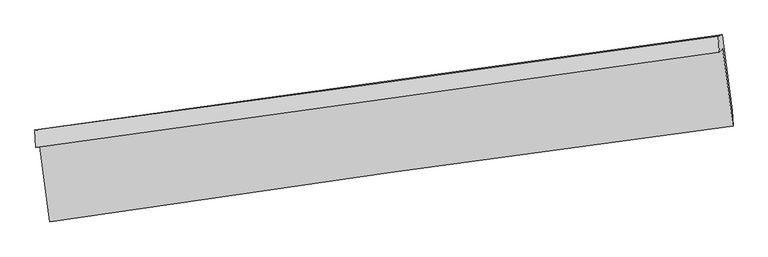
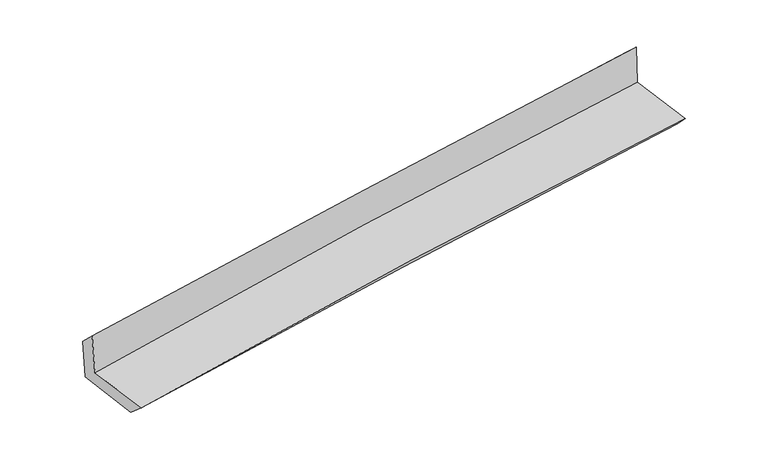
"""IFC4 building model written with IfcOpenShell, lengths in millimetres: proxy geometry."""

import ifcopenshell
import ifcopenshell.guid

model = None  # the IFC model being written
_history = None  # IfcOwnerHistory: only IFC2X3 demands one
_inside = {}  # id of a spatial element -> (the spatial element, [elements in it])
_under = {}  # id of a project, library or spatial element -> (it, [spatial elements below it])
_declared = {}  # id of a project -> (the project, [libraries it declares])
_typed = {}  # id of a type object -> (the type object, [elements of that type])
_made_of = {}  # id of a material, layer set ... -> (it, [elements and type objects made of it])


def new_model(schema):
    """Start an empty IFC model of exactly this schema.

    Asked for "IFC4X3", IfcOpenShell would pick the latest addendum, in which some entities
    have other attributes; the version numbers below select the first issue.
    IFC2X3 requires an IfcOwnerHistory on every rooted entity: one is made here for all.
    """
    global model, _history
    if schema == "IFC4X3":
        model = ifcopenshell.file(schema_version=(4, 3, 0, 0))
    else:
        model = ifcopenshell.file(schema=schema)
    _inside.clear()
    _under.clear()
    _declared.clear()
    _typed.clear()
    _made_of.clear()
    _history = None
    if model.schema == "IFC2X3":
        org = make("IfcOrganization", Name="unknown")
        user = make(
            "IfcPersonAndOrganization",
            ThePerson=make("IfcPerson", FamilyName="unknown"),
            TheOrganization=org,
        )
        app = make(
            "IfcApplication",
            ApplicationDeveloper=org,
            Version="unknown",
            ApplicationFullName="unknown",
            ApplicationIdentifier="unknown",
        )
        _history = make(
            "IfcOwnerHistory",
            OwningUser=user,
            OwningApplication=app,
            ChangeAction="ADDED",
            CreationDate=0,
        )
    return model


def make(cls, **values):
    """One entity of the class cls with the attributes given. An attribute that is None is left unset."""
    return model.create_entity(
        cls, **{name: value for name, value in values.items() if value is not None}
    )


def rooted(cls, **values):
    """An entity with a GlobalId (a new one), such as an element, a storey or a relation."""
    return make(cls, GlobalId=ifcopenshell.guid.new(), OwnerHistory=_history, **values)


def si_unit(unit_type, name, prefix=None):
    """IfcSIUnit, for example si_unit("LENGTHUNIT", "METRE", prefix="MILLI")."""
    return make("IfcSIUnit", UnitType=unit_type, Prefix=prefix, Name=name)


def assignment(units):
    """IfcUnitAssignment: the units of a project."""
    return None if units is None else make("IfcUnitAssignment", Units=units)


def point(xyz):
    """IfcCartesianPoint."""
    return None if xyz is None else make("IfcCartesianPoint", Coordinates=xyz)


def direction(xyz):
    """IfcDirection."""
    return None if xyz is None else make("IfcDirection", DirectionRatios=xyz)


def frame(location, z_axis=None, x_axis=None):
    """IfcAxis2Placement3D, a coordinate frame: its origin and axes. An axis left out is left unset."""
    return make(
        "IfcAxis2Placement3D",
        Location=point(location),
        Axis=direction(z_axis),
        RefDirection=direction(x_axis),
    )


def origin():
    """The frame at (0, 0, 0) with its axes left unset."""
    return frame((0.0, 0.0, 0.0))


def place(relative_to, where):
    """IfcLocalPlacement: puts the frame where relative to a parent placement (None: the world)."""
    return make(
        "IfcLocalPlacement", PlacementRelTo=relative_to, RelativePlacement=where
    )


def context(
    kind, dimensions, precision=None, world=None, true_north=None, identifier=None
):
    """IfcGeometricRepresentationContext, for example the 3D "Model" context."""
    return make(
        "IfcGeometricRepresentationContext",
        ContextIdentifier=identifier,
        ContextType=kind,
        CoordinateSpaceDimension=dimensions,
        Precision=precision,
        WorldCoordinateSystem=world,
        TrueNorth=true_north,
    )


def project(units=None, contexts=None):
    """IfcProject with its units and contexts."""
    return rooted(
        "IfcProject",
        Name="project",
        RepresentationContexts=contexts,
        UnitsInContext=assignment(units),
    )


def spatial(cls, under=None, at=None, **own):
    """A site, building, storey or space (cls), placed at a placement, below another one or the project."""
    s = rooted(cls, ObjectPlacement=at, **own)
    if under is not None:
        _under.setdefault(under.id(), (under, []))[1].append(s)
    return s


def shape(context_of_items, identifier, shape_type, items):
    """IfcShapeRepresentation: the items that make up one representation, for example the "Body"."""
    return make(
        "IfcShapeRepresentation",
        ContextOfItems=context_of_items,
        RepresentationIdentifier=identifier,
        RepresentationType=shape_type,
        Items=items,
    )


def source(mapping_origin, context_of_items, identifier, shape_type, items):
    """IfcRepresentationMap: a shape defined once, which mapped items show again and again."""
    return make(
        "IfcRepresentationMap",
        MappingOrigin=mapping_origin,
        MappedRepresentation=shape(context_of_items, identifier, shape_type, items),
    )


def transform(
    local_origin,
    x_axis=None,
    y_axis=None,
    z_axis=None,
    scale=None,
    scale2=None,
    scale3=None,
    uniform=True,
):
    """IfcCartesianTransformationOperator3D, or its non-uniform kind. x_axis, y_axis, z_axis: its Axis1, 2, 3."""
    if uniform:
        return make(
            "IfcCartesianTransformationOperator3D",
            Axis1=direction(x_axis),
            Axis2=direction(y_axis),
            LocalOrigin=point(local_origin),
            Scale=scale,
            Axis3=direction(z_axis),
        )
    return make(
        "IfcCartesianTransformationOperator3DnonUniform",
        Axis1=direction(x_axis),
        Axis2=direction(y_axis),
        LocalOrigin=point(local_origin),
        Scale=scale,
        Axis3=direction(z_axis),
        Scale2=scale2,
        Scale3=scale3,
    )


def mapped(mapping_source, mapping_target):
    """IfcMappedItem: shows the shape of a source again, moved by a transform."""
    return make(
        "IfcMappedItem", MappingSource=mapping_source, MappingTarget=mapping_target
    )


def made_of(thing, what):
    """Note that an element or type object is made of a material, layer set ...; save() writes the relation."""
    if what is not None:
        _made_of.setdefault(what.id(), (what, []))[1].append(thing)
    return thing


def element(
    cls,
    number,
    at=None,
    inside=None,
    cuts=None,
    type_object=None,
    material=None,
    context=None,
    identifier="Body",
    shape_type=None,
    held_by="IfcProductDefinitionShape",
    body=None,
    shapes=None,
    **own,
):
    """One element of the class cls, such as IfcWall. Its Tag is "e" and its number.

    at: its placement. inside: the storey or other place that contains it. cuts: it is an
    opening in that element (IfcRelVoidsElement). A single representation is given by context,
    identifier, shape_type and body (its items); several are given by shapes. held_by: the class
    of the entity that holds the representations. save() writes the other relations.
    """
    e = rooted(cls, Tag="e%d" % number, ObjectPlacement=at, **own)
    if body is not None:
        shapes = [shape(context, identifier, shape_type, body)]
    if shapes is not None:
        e.Representation = make(held_by, Representations=shapes)
    if inside is not None:
        _inside.setdefault(inside.id(), (inside, []))[1].append(e)
    if cuts is not None:
        rooted(
            "IfcRelVoidsElement", RelatingBuildingElement=cuts, RelatedOpeningElement=e
        )
    if type_object is not None:
        _typed.setdefault(type_object.id(), (type_object, []))[1].append(e)
    return made_of(e, material)


def aggregate(whole, parts):
    """IfcRelAggregates: a whole, such as a stair, and the parts it consists of."""
    return rooted("IfcRelAggregates", RelatingObject=whole, RelatedObjects=parts)


def save(model, path):
    """Write the relations noted so far, then the file.

    IfcRelAggregates (storeys below a building ...), IfcRelContainedInSpatialStructure (elements
    in a storey), IfcRelDefinesByType, IfcRelAssociatesMaterial and IfcRelDeclares: one each for
    every whole, place, type object, material and project.
    """
    for whole, parts in _under.values():
        aggregate(whole, parts)
    for where, things in _inside.values():
        rooted(
            "IfcRelContainedInSpatialStructure",
            RelatedElements=things,
            RelatingStructure=where,
        )
    for kind, things in _typed.values():
        rooted("IfcRelDefinesByType", RelatedObjects=things, RelatingType=kind)
    for what, things in _made_of.values():
        rooted("IfcRelAssociatesMaterial", RelatedObjects=things, RelatingMaterial=what)
    for by, libraries in _declared.values():
        rooted("IfcRelDeclares", RelatingContext=by, RelatedDefinitions=libraries)
    model.write(path)


def plane_surface(at):
    """IfcPlane: the flat surface through the origin of the frame at, square to its z axis."""
    return make("IfcPlane", Position=at)


def spline_curve(degree, points, multiplicities, knots, weights=None):
    """IfcBSplineCurveWithKnots; with weights, IfcRationalBSplineCurveWithKnots."""
    own = dict(
        Degree=degree,
        ControlPointsList=[point(p) for p in points],
        CurveForm="UNSPECIFIED",
        ClosedCurve=False,
        SelfIntersect=False,
        KnotMultiplicities=multiplicities,
        Knots=knots,
        KnotSpec="UNSPECIFIED",
    )
    if weights is None:
        return make("IfcBSplineCurveWithKnots", **own)
    return make("IfcRationalBSplineCurveWithKnots", WeightsData=weights, **own)


def spline_surface(u_degree, v_degree, points, u_multiplicities, v_multiplicities, u_knots, v_knots, weights=None):
    """IfcBSplineSurfaceWithKnots; with weights, IfcRationalBSplineSurfaceWithKnots. points: one row for each step in u."""
    own = dict(
        UDegree=u_degree,
        VDegree=v_degree,
        ControlPointsList=[[point(p) for p in row] for row in points],
        SurfaceForm="UNSPECIFIED",
        UClosed=False,
        VClosed=False,
        SelfIntersect=False,
        UMultiplicities=u_multiplicities,
        VMultiplicities=v_multiplicities,
        UKnots=u_knots,
        VKnots=v_knots,
        KnotSpec="UNSPECIFIED",
    )
    if weights is None:
        return make("IfcBSplineSurfaceWithKnots", **own)
    return make("IfcRationalBSplineSurfaceWithKnots", WeightsData=weights, **own)


def advanced_brep(points, edges, surfaces, faces):
    """IfcAdvancedBrep: a solid bounded by faces that lie on surfaces and meet in shared edges.

    An edge is (start, end): straight between two places in points (the first is 0);
    or (start, end, curve); or (start, end, curve, False) where it runs against its curve.
    A face is (place in surfaces, loops), or (place, loops, False) where it looks against
    its surface's normal. A loop lists edges by number (the first is 1), with a minus sign
    where the edge is run from its end to its start. The first loop is the outer one.
    """
    corners = [point(p) for p in points]
    vertices = [make("IfcVertexPoint", VertexGeometry=c) for c in corners]
    made = []
    for start, end, *more in edges:
        made.append(
            make(
                "IfcEdgeCurve",
                EdgeStart=vertices[start],
                EdgeEnd=vertices[end],
                EdgeGeometry=more[0] if more else make("IfcPolyline", Points=[corners[start], corners[end]]),
                SameSense=more[1] if len(more) > 1 else True,
            )
        )
    hull = []
    for where, loops, *sense in faces:
        bounds = []
        for j, loop in enumerate(loops):
            ring = [make("IfcOrientedEdge", EdgeElement=made[abs(k) - 1], Orientation=k > 0) for k in loop]
            bounds.append(
                make(
                    "IfcFaceOuterBound" if j == 0 else "IfcFaceBound",
                    Bound=make("IfcEdgeLoop", EdgeList=ring),
                    Orientation=True,
                )
            )
        hull.append(make("IfcAdvancedFace", Bounds=bounds, FaceSurface=surfaces[where], SameSense=sense[0] if sense else True))
    return make("IfcAdvancedBrep", Outer=make("IfcClosedShell", CfsFaces=hull))


def generic_models_05530c15(model_context):
    return source(origin(), model_context, "Body", "AdvancedBrep", [
        advanced_brep(
        [(-3009.0200411, -1925.641085, 1647.6879037), (-2921.2065719, -2584.3234309, 1644.7053671), (3055.7300978, -1745.9456203, 2130.3339769), (2964.5331131, -1065.5557821, 2139.4370024), (-3041.3674079, -1933.213346, 2058.0009067), (2935.942464, -1097.2846498, 2543.0440125), (-3049.4800698, -1780.3618373, 1907.8120241), (2927.6003841, -955.588593, 2413.9221108), (-3018.5955139, -1774.4804982, 1518.259629), (2958.7968279, -945.9533511, 2014.393446), (-2931.2558181, -2418.2429448, 1496.7038275), (3048.6440156, -1608.1742704, 1992.1799904)],
        [
            (0, 1),
            (1, 2, spline_curve(3, [(-2921.2065719, -2584.3234309, 1644.7053671), (-1927.846274388, -2434.601236672, 1743.438541655), (-933.077914876, -2289.874003113, 1833.274821566), (1059.234423145, -2010.415139313, 1995.150301174), (2056.77828669, -1875.683102336, 2067.190224542), (3055.7300978, -1745.9456203, 2130.3339769)], [4, 2, 4], [0.0, 9.933542370578651, 19.866680835375718])),
            (2, 3),
            (3, 0, spline_curve(3, [(2964.5331131, -1065.5557821, 2139.4370024), (1965.908980998, -1196.47821405, 2074.200218239), (968.810907968, -1333.611621916, 2000.603737535), (-1022.373600569, -1620.306217619, 1836.688051126), (-2016.459912611, -1769.867910853, 1746.368165586), (-3009.0200411, -1925.641085, 1647.6879037)], [4, 2, 4], [0.0, 9.933138464797066, 19.866680835375718])),
            (4, 0),
            (3, 5),
            (5, 4, spline_curve(3, [(2935.942464, -1097.2846498, 2543.0440125), (1938.841277323, -1239.087686998, 2476.867595018), (942.191645662, -1379.648539193, 2403.360098581), (-1050.24501512, -1658.291538646, 2241.679659324), (-2046.032007602, -1796.373585423, 2153.506120674), (-3041.3674079, -1933.213346, 2058.0009067)], [4, 2, 4], [0.0, 9.932929356642633, 19.866262610564])),
            (6, 4),
            (5, 7),
            (7, 6, spline_curve(3, [(2927.6003841, -955.588593, 2413.9221108), (1931.064269921, -1095.153727257, 2337.134231336), (934.716297889, -1233.666022252, 2256.565385341), (-1057.643868592, -1508.590522387, 2087.862330589), (-2053.65604803, -1645.002642468, 1999.727814465), (-3049.4800698, -1780.3618373, 1907.8120241)], [4, 2, 4], [0.0, 9.932550758156793, 19.865505398197577])),
            (8, 6),
            (7, 9),
            (9, 8, spline_curve(3, [(2958.7968279, -945.9533511, 2014.393446), (1962.044521687, -1084.975699242, 1939.377378431), (965.562461673, -1223.529408243, 1860.525778556), (-1026.90167449, -1499.705161834, 1695.148151582), (-2022.883728111, -1637.327168939, 1608.621812552), (-3018.5955139, -1774.4804982, 1518.259629)], [4, 2, 4], [0.0, 9.93246574225969, 19.865335362946418])),
            (10, 8),
            (9, 11),
            (11, 10, spline_curve(3, [(3048.6440156, -1608.1742704, 1992.1799904), (2050.98391669, -1740.501868457, 1917.382077003), (1053.839001916, -1874.169990818, 1838.694358732), (-939.460984326, -2144.192773365, 1673.535953864), (-1935.616014384, -2280.547542363, 1587.064951504), (-2931.2558181, -2418.2429448, 1496.7038275)], [4, 2, 4], [0.0, 9.932392258792781, 19.865188393024578])),
            (1, 10),
            (11, 2),
        ],
        [
            spline_surface(3, 3, [[(-3009.0200411, -1925.641085, 1647.6879037), (-2016.459912723, -1769.867910887, 1746.368165543), (-1022.373600726, -1620.306217685, 1836.688051139), (968.810908125, -1333.611621849, 2000.603737521), (1965.908980845, -1196.478214057, 2074.20021813), (2964.5331131, -1065.5557821, 2139.4370024)], [(-2979.748884716, -2145.201866992, 1646.693724855), (-1986.922033264, -1991.445686174, 1745.39162422), (-992.608372077, -1843.49547953, 1835.550307904), (998.952079747, -1559.212794299, 1998.785925415), (1996.19874945, -1422.87984353, 2071.86355361), (2994.932108007, -1292.352394833, 2136.402660573)], [(-2950.477728284, -2364.762648908, 1645.699545945), (-1957.384153759, -2213.023461386, 1744.415082833), (-962.843143399, -2066.684741379, 1834.41256472), (1029.093251397, -1784.813966753, 1996.968113361), (2026.488518033, -1649.281473002, 2069.526889071), (3025.331102893, -1519.149007567, 2133.368318727)], [(-2921.2065719, -2584.3234309, 1644.7053671), (-1927.846274301, -2434.601236673, 1743.438541511), (-933.077914749, -2289.874003224, 1833.274821485), (1059.234423019, -2010.415139202, 1995.150301255), (2056.778286638, -1875.683102475, 2067.19022455), (3055.7300978, -1745.9456203, 2130.3339769)]], [4, 4], [4, 2, 4], [0.0, 2.2282510073775974], [0.0, 9.933542370578651, 19.866680835375718]),
            spline_surface(3, 3, [[(-3041.3674079, -1933.213346, 2058.0009067), (-2046.032007458, -1796.373585346, 2153.506120807), (-1050.245015065, -1658.291538798, 2241.679659421), (942.191645607, -1379.648539041, 2403.360098484), (1938.841277216, -1239.087686857, 2476.867595121), (2935.942464, -1097.2846498, 2543.0440125)], [(-3030.584952308, -1930.689259001, 1921.229905686), (-2036.174642554, -1787.538360527, 2017.793469038), (-1040.954543612, -1645.629765088, 2106.682456672), (951.064733121, -1364.302899972, 2269.107978175), (1947.86384511, -1224.884529272, 2342.645136116), (2945.472680385, -1086.708360582, 2408.508342459)], [(-3019.802496692, -1928.165171999, 1784.458904714), (-2026.317277627, -1778.703135706, 1882.080817312), (-1031.66407218, -1632.967991395, 1971.685253889), (959.937820612, -1348.957260919, 2134.855857831), (1956.88641295, -1210.681371642, 2208.422677135), (2955.002896715, -1076.132071318, 2273.972672441)], [(-3009.0200411, -1925.641085, 1647.6879037), (-2016.459912723, -1769.867910887, 1746.368165543), (-1022.373600726, -1620.306217685, 1836.688051139), (968.810908125, -1333.611621849, 2000.603737521), (1965.908980845, -1196.478214057, 2074.20021813), (2964.5331131, -1065.5557821, 2139.4370024)]], [4, 4], [4, 2, 4], [0.0, 1.3351908417997853], [0.0, 9.933333253921367, 19.866262610564]),
            spline_surface(3, 3, [[(-3049.4800698, -1780.3618373, 1907.8120241), (-2053.656047887, -1645.002642426, 1999.727814325), (-1057.643868647, -1508.590522502, 2087.8623306), (934.716297944, -1233.666022136, 2256.56538533), (1931.064270024, -1095.153727244, 2337.134231309), (2927.6003841, -955.588593, 2413.9221108)], [(-3046.775849174, -1831.312340196, 1957.874984979), (-2051.114701085, -1695.459623395, 2050.987249831), (-1055.17758412, -1558.490861259, 2139.134773549), (937.208080499, -1282.326861096, 2305.49695639), (1933.65660574, -1143.131713753, 2383.712019276), (2930.381077386, -1002.820611904, 2456.96274473)], [(-3044.071628526, -1882.262843104, 2007.937945821), (-2048.573354261, -1745.916604377, 2102.246685301), (-1052.711299593, -1608.391200041, 2190.407216472), (939.699863053, -1330.987700081, 2354.428527424), (1936.248941499, -1191.109700348, 2430.289807154), (2933.161770714, -1050.052630896, 2500.00337857)], [(-3041.3674079, -1933.213346, 2058.0009067), (-2046.032007458, -1796.373585346, 2153.506120807), (-1050.245015065, -1658.291538798, 2241.679659421), (942.191645607, -1379.648539041, 2403.360098484), (1938.841277216, -1239.087686857, 2476.867595121), (2935.942464, -1097.2846498, 2543.0440125)]], [4, 4], [4, 2, 4], [0.0, 0.692128643724402], [0.0, 9.932954640040784, 19.865505398197577]),
            spline_surface(3, 3, [[(-3018.5955139, -1774.4804982, 1518.259629), (-2022.883728265, -1637.327168856, 1608.621812497), (-1026.901674365, -1499.705161946, 1695.148151541), (965.562461549, -1223.529408131, 1860.525778598), (1962.044521577, -1084.975699345, 1939.377378579), (2958.7968279, -945.9533511, 2014.393446)], [(-3028.890365848, -1776.44094457, 1648.110427365), (-2033.14116812, -1639.885660049, 1738.990479771), (-1037.14907246, -1502.666948792, 1826.052877876), (955.280407013, -1226.90827946, 1992.538980824), (1951.717771066, -1088.368375341, 2071.962996156), (2948.398013307, -949.16509843, 2147.5696676)], [(-3039.185217852, -1778.40139093, 1777.961225735), (-2043.398608032, -1642.444151232, 1869.359147051), (-1047.396470552, -1505.628735657, 1956.957604264), (944.99835248, -1230.287150808, 2124.552183103), (1941.391020535, -1091.761051248, 2204.548613732), (2937.999198693, -952.37684567, 2280.7458892)], [(-3049.4800698, -1780.3618373, 1907.8120241), (-2053.656047887, -1645.002642426, 1999.727814325), (-1057.643868647, -1508.590522502, 2087.8623306), (934.716297944, -1233.666022136, 2256.56538533), (1931.064270024, -1095.153727244, 2337.134231309), (2927.6003841, -955.588593, 2413.9221108)]], [4, 4], [4, 2, 4], [0.0, 1.298200694923699], [0.0, 9.932869620686727, 19.865335362946418]),
            spline_surface(3, 3, [[(-2931.2558181, -2418.2429448, 1496.7038275), (-1935.616014278, -2280.547542492, 1587.064951423), (-939.460984438, -2144.192773313, 1673.535953983), (1053.839002028, -1874.16999087, 1838.694358613), (2050.983916754, -1740.501868576, 1917.382077004), (3048.6440156, -1608.1742704, 1992.1799904)], [(-2960.369050033, -2203.655462575, 1503.889094672), (-1964.705252273, -2066.140751256, 1594.250571786), (-968.607881093, -1929.363569531, 1680.740019849), (1024.413488521, -1657.289796631, 1845.971498621), (2021.337451697, -1521.993145469, 1924.713844181), (3018.694953035, -1387.433963937, 1999.584475585)], [(-2989.482281967, -1989.067980425, 1511.074361828), (-1993.794490269, -1851.733960093, 1601.436192134), (-997.754777709, -1714.534365728, 1687.944085674), (994.987975055, -1440.409602371, 1853.248638589), (1991.690986634, -1303.484422452, 1932.045611402), (2988.745890465, -1166.693657563, 2006.988960815)], [(-3018.5955139, -1774.4804982, 1518.259629), (-2022.883728265, -1637.327168856, 1608.621812497), (-1026.901674365, -1499.705161946, 1695.148151541), (965.562461549, -1223.529408131, 1860.525778598), (1962.044521577, -1084.975699345, 1939.377378579), (2958.7968279, -945.9533511, 2014.393446)]], [4, 4], [4, 2, 4], [0.0, 2.1452028693132394], [0.0, 9.932796134231797, 19.865188393024578]),
            spline_surface(3, 3, [[(-2921.2065719, -2584.3234309, 1644.7053671), (-1927.846274301, -2434.601236673, 1743.438541511), (-933.077914749, -2289.874003224, 1833.274821485), (1059.234423019, -2010.415139202, 1995.150301255), (2056.778286638, -1875.683102475, 2067.19022455), (3055.7300978, -1745.9456203, 2130.3339769)], [(-2924.556320622, -2528.963268866, 1595.371520544), (-1930.436187615, -2383.250005279, 1691.314011459), (-935.205604629, -2241.313593268, 1780.028532318), (1057.435949372, -1965.000089773, 1942.998320375), (2054.84682999, -1830.622691189, 2017.254175354), (3053.36807038, -1700.021837014, 2084.282648053)], [(-2927.906069378, -2473.603106834, 1546.037674056), (-1933.026100963, -2331.898773887, 1639.189481475), (-937.333294558, -2192.753183269, 1726.782243149), (1055.637475675, -1919.5850403, 1890.846339493), (2052.915373402, -1785.562279862, 1967.3181262), (3051.00604302, -1654.098053686, 2038.231319247)], [(-2931.2558181, -2418.2429448, 1496.7038275), (-1935.616014278, -2280.547542492, 1587.064951423), (-939.460984438, -2144.192773313, 1673.535953983), (1053.839002028, -1874.16999087, 1838.694358613), (2050.983916754, -1740.501868576, 1917.382077004), (3048.6440156, -1608.1742704, 1992.1799904)]], [4, 4], [4, 2, 4], [0.0, 0.6951988166460285], [0.0, 9.932986025448642, 19.865568167737138]),
            plane_surface(frame((2981.8744838, -1236.4170444, 2205.5517565), z_axis=(0.9880750765351952, 0.13136338542707127, 0.08032001057710861), x_axis=(-0.07782367439697588, -0.024036391475564352, 0.9966773437718883))),
            plane_surface(frame((-2995.1542371, -2069.3771904, 1712.194943), z_axis=(-0.9880750765351657, -0.13136338542721324, -0.08032001057724057), x_axis=(-0.1321463558150159, 0.991220054275533, 0.004488278826088398))),
        ],
        [
            (0, [[1, 2, 3, 4]]),
            (1, [[5, -4, 6, 7]]),
            (2, [[8, -7, 9, 10]]),
            (3, [[11, -10, 12, 13]]),
            (4, [[14, -13, 15, 16]]),
            (5, [[17, -16, 18, -2]]),
            (6, [[-12, -9, -6, -3, -18, -15]]),
            (7, [[-1, -5, -8, -11, -14, -17]]),
        ],
    ),
    ])


if __name__ == "__main__":
    model = new_model("IFC4")
    model_context = context("Model", 3, world=origin())
    ifc_project = project(units=[si_unit("LENGTHUNIT", "METRE", prefix="MILLI")], contexts=[model_context])
    site = spatial("IfcSite", under=ifc_project)
    building = spatial("IfcBuilding", under=site)
    placement = place(None, origin())
    generic_models_shape = generic_models_05530c15(model_context)
    element("IfcBuildingElementProxy", 1, Name="Generic Models", at=placement, inside=building, context=model_context, shape_type="MappedRepresentation", body=[
        mapped(generic_models_shape, transform((0.0, 0.0, 0.0), x_axis=(1.0, 0.0, 0.0), y_axis=(0.0, 1.0, 0.0), z_axis=(0.0, 0.0, 1.0))),
    ])
    save(model, "model.ifc")
